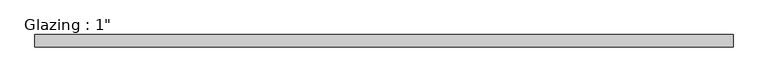
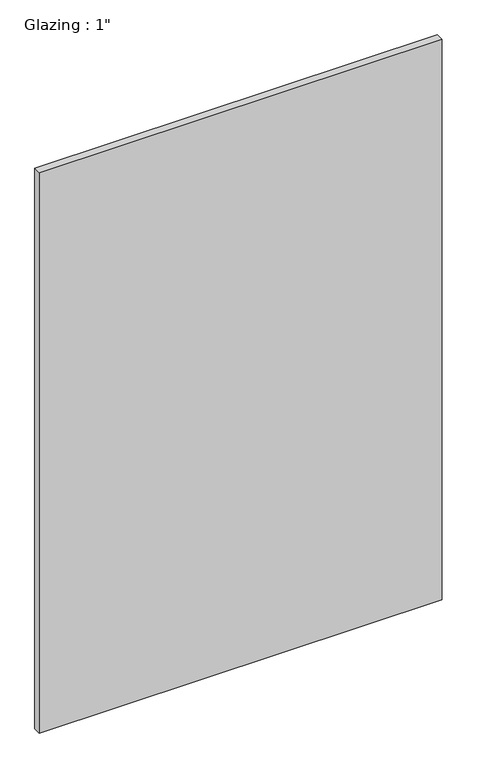
"""IFC4 building model written with IfcOpenShell, lengths in millimetres: plate geometry."""

from ifc_helpers import new_model, si_unit, origin, origin_with_axes, place, context, project, spatial, polyline, outline, extrude, source, transform, mapped, element, save


def plate_10932e99(model_context):
    return source(origin(), model_context, "Body", "SweptSolid", [
        extrude(outline(polyline([(712.2465169, 12.7), (712.2465169, -12.7), (-712.2465169, -12.7), (-712.2465169, 12.7), (712.2465169, 12.7)])), origin_with_axes(), (0.0, 0.0, 1.0), 2094.5427636),
    ])


if __name__ == "__main__":
    model = new_model("IFC4")
    model_context = context("Model", 3, world=origin())
    ifc_project = project(units=[si_unit("LENGTHUNIT", "METRE", prefix="MILLI")], contexts=[model_context])
    site = spatial("IfcSite", under=ifc_project)
    building = spatial("IfcBuilding", under=site)
    placement = place(None, origin())
    plate_shape = plate_10932e99(model_context)
    element("IfcPlate", 1, ObjectType="Glazing : 1\"", at=placement, inside=building, context=model_context, shape_type="MappedRepresentation", body=[
        mapped(plate_shape, transform((0.0, 0.0, 0.0), x_axis=(1.0, 0.0, 0.0), y_axis=(0.0, 1.0, 0.0), z_axis=(0.0, 0.0, 1.0))),
    ])
    save(model, "model.ifc")
